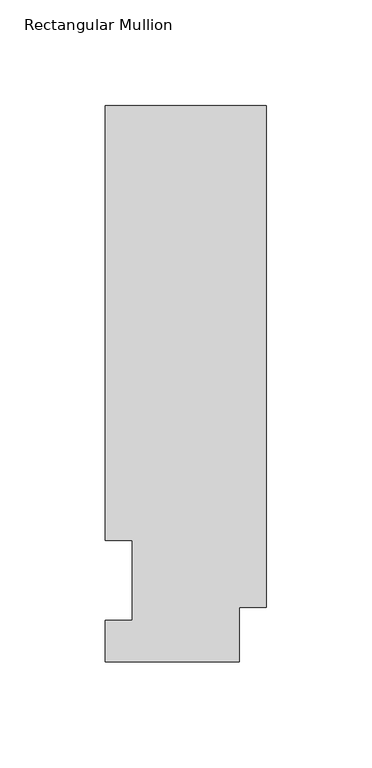
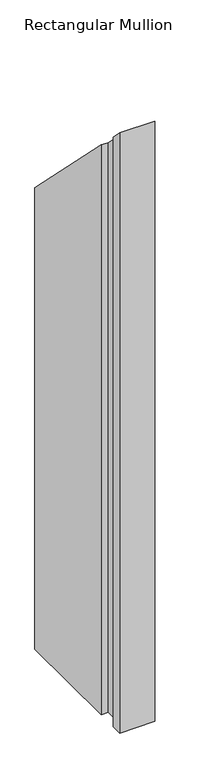
"""IFC4 building model written with IfcOpenShell, lengths in millimetres: member geometry, Rectangular Mullion."""

from ifc_helpers import new_model, si_unit, origin, place, context, project, spatial, faceted_brep, source, transform, mapped, element, save


def rectangular_mullion_2f245ef8(model_context):
    return source(origin(), model_context, "Body", "Brep", [
        faceted_brep([(0.0, 25.8960937, -1143.0134937), (-12.7, 25.8960937, -1143.0134937), (-12.7, 0.0134938, -1143.0134937), (-76.2, 0.0134938, -1143.0134937), (-76.2, 19.5460938, -1143.0134937), (-63.5127, 19.5460938, -1143.0134937), (-63.5127, 57.6460937, -1143.0134937), (-76.2, 57.6460938, -1143.0134937), (-76.2, 264.0210938, -1143.0134937), (0.0, 264.0210938, -1143.0134937), (0.0, 264.0210938, -264.0210937), (0.0, 25.8960937, -25.8960937), (-76.2, 264.0210938, -264.0210937), (-76.2, 57.6460938, -57.6460937), (-63.5127, 57.6460938, -57.6460937), (-63.5127, 19.5460938, -19.5460938), (-76.2, 19.5460938, -19.5460938), (-76.2, 0.0134938, -0.0134938), (-12.7, 0.0134938, -0.0134938), (-12.7, 25.8960937, -25.8960937)], [[[0, 1, 2, 3, 4, 5, 6, 7, 8, 9]], [[10, 11, 0, 9]], [[12, 10, 9, 8]], [[13, 12, 8, 7]], [[14, 13, 7, 6]], [[15, 14, 6, 5]], [[16, 15, 5, 4]], [[17, 16, 4, 3]], [[18, 17, 3, 2]], [[19, 18, 2, 1]], [[11, 19, 1, 0]], [[11, 10, 12, 13, 14, 15, 16, 17, 18, 19]]]),
    ])


if __name__ == "__main__":
    model = new_model("IFC4")
    model_context = context("Model", 3, world=origin())
    ifc_project = project(units=[si_unit("LENGTHUNIT", "METRE", prefix="MILLI")], contexts=[model_context])
    site = spatial("IfcSite", under=ifc_project)
    building = spatial("IfcBuilding", under=site)
    placement = place(None, origin())
    rectangular_mullion_shape = rectangular_mullion_2f245ef8(model_context)
    element("IfcMember", 1, ObjectType="Rectangular Mullion", at=placement, inside=building, context=model_context, shape_type="MappedRepresentation", body=[
        mapped(rectangular_mullion_shape, transform((0.0, 0.0, 0.0), x_axis=(1.0, 0.0, 0.0), y_axis=(0.0, 1.0, 0.0), z_axis=(0.0, 0.0, 1.0))),
    ])
    save(model, "model.ifc")
